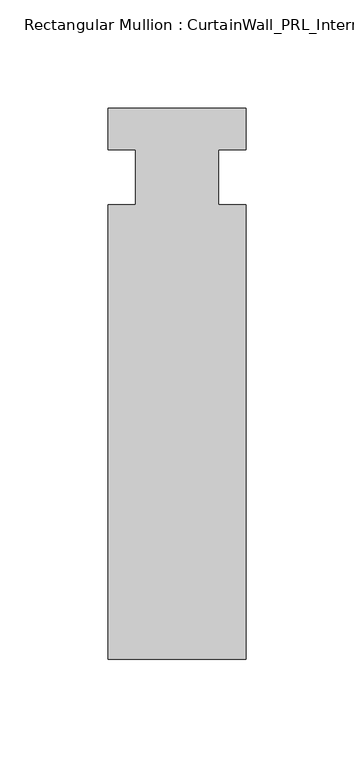
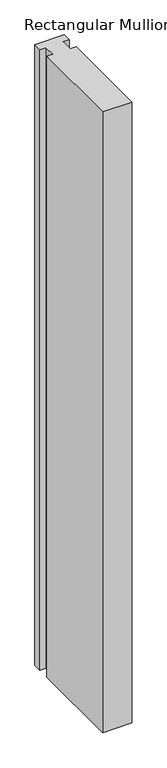
"""IFC4 building model written with IfcOpenShell, lengths in millimetres: member geometry, Rectangular Mullion : CurtainWall_PRL_Intermediate_1002."""

import ifcopenshell
import ifcopenshell.guid

model = None  # the IFC model being written
_history = None  # IfcOwnerHistory: only IFC2X3 demands one
_inside = {}  # id of a spatial element -> (the spatial element, [elements in it])
_under = {}  # id of a project, library or spatial element -> (it, [spatial elements below it])
_declared = {}  # id of a project -> (the project, [libraries it declares])
_typed = {}  # id of a type object -> (the type object, [elements of that type])
_made_of = {}  # id of a material, layer set ... -> (it, [elements and type objects made of it])


def new_model(schema):
    """Start an empty IFC model of exactly this schema.

    Asked for "IFC4X3", IfcOpenShell would pick the latest addendum, in which some entities
    have other attributes; the version numbers below select the first issue.
    IFC2X3 requires an IfcOwnerHistory on every rooted entity: one is made here for all.
    """
    global model, _history
    if schema == "IFC4X3":
        model = ifcopenshell.file(schema_version=(4, 3, 0, 0))
    else:
        model = ifcopenshell.file(schema=schema)
    _inside.clear()
    _under.clear()
    _declared.clear()
    _typed.clear()
    _made_of.clear()
    _history = None
    if model.schema == "IFC2X3":
        org = make("IfcOrganization", Name="unknown")
        user = make(
            "IfcPersonAndOrganization",
            ThePerson=make("IfcPerson", FamilyName="unknown"),
            TheOrganization=org,
        )
        app = make(
            "IfcApplication",
            ApplicationDeveloper=org,
            Version="unknown",
            ApplicationFullName="unknown",
            ApplicationIdentifier="unknown",
        )
        _history = make(
            "IfcOwnerHistory",
            OwningUser=user,
            OwningApplication=app,
            ChangeAction="ADDED",
            CreationDate=0,
        )
    return model


def make(cls, **values):
    """One entity of the class cls with the attributes given. An attribute that is None is left unset."""
    return model.create_entity(
        cls, **{name: value for name, value in values.items() if value is not None}
    )


def rooted(cls, **values):
    """An entity with a GlobalId (a new one), such as an element, a storey or a relation."""
    return make(cls, GlobalId=ifcopenshell.guid.new(), OwnerHistory=_history, **values)


def si_unit(unit_type, name, prefix=None):
    """IfcSIUnit, for example si_unit("LENGTHUNIT", "METRE", prefix="MILLI")."""
    return make("IfcSIUnit", UnitType=unit_type, Prefix=prefix, Name=name)


def assignment(units):
    """IfcUnitAssignment: the units of a project."""
    return None if units is None else make("IfcUnitAssignment", Units=units)


def point(xyz):
    """IfcCartesianPoint."""
    return None if xyz is None else make("IfcCartesianPoint", Coordinates=xyz)


def direction(xyz):
    """IfcDirection."""
    return None if xyz is None else make("IfcDirection", DirectionRatios=xyz)


def frame(location, z_axis=None, x_axis=None):
    """IfcAxis2Placement3D, a coordinate frame: its origin and axes. An axis left out is left unset."""
    return make(
        "IfcAxis2Placement3D",
        Location=point(location),
        Axis=direction(z_axis),
        RefDirection=direction(x_axis),
    )


def origin():
    """The frame at (0, 0, 0) with its axes left unset."""
    return frame((0.0, 0.0, 0.0))


def place(relative_to, where):
    """IfcLocalPlacement: puts the frame where relative to a parent placement (None: the world)."""
    return make(
        "IfcLocalPlacement", PlacementRelTo=relative_to, RelativePlacement=where
    )


def context(
    kind, dimensions, precision=None, world=None, true_north=None, identifier=None
):
    """IfcGeometricRepresentationContext, for example the 3D "Model" context."""
    return make(
        "IfcGeometricRepresentationContext",
        ContextIdentifier=identifier,
        ContextType=kind,
        CoordinateSpaceDimension=dimensions,
        Precision=precision,
        WorldCoordinateSystem=world,
        TrueNorth=true_north,
    )


def project(units=None, contexts=None):
    """IfcProject with its units and contexts."""
    return rooted(
        "IfcProject",
        Name="project",
        RepresentationContexts=contexts,
        UnitsInContext=assignment(units),
    )


def spatial(cls, under=None, at=None, **own):
    """A site, building, storey or space (cls), placed at a placement, below another one or the project."""
    s = rooted(cls, ObjectPlacement=at, **own)
    if under is not None:
        _under.setdefault(under.id(), (under, []))[1].append(s)
    return s


def polyline(points):
    """IfcPolyline through the points."""
    return make("IfcPolyline", Points=[point(p) for p in points])


def outline(outer, holes=None, kind="AREA"):
    """IfcArbitraryClosedProfileDef: a profile drawn as a closed curve; with holes, ...WithVoids."""
    if holes is None:
        return make("IfcArbitraryClosedProfileDef", ProfileType=kind, OuterCurve=outer)
    return make(
        "IfcArbitraryProfileDefWithVoids",
        ProfileType=kind,
        OuterCurve=outer,
        InnerCurves=holes,
    )


def extrude(swept, where, along, depth):
    """IfcExtrudedAreaSolid: the profile swept, set in the frame where, extruded along a direction by depth."""
    return make(
        "IfcExtrudedAreaSolid",
        SweptArea=swept,
        Position=where,
        ExtrudedDirection=direction(along),
        Depth=depth,
    )


def shape(context_of_items, identifier, shape_type, items):
    """IfcShapeRepresentation: the items that make up one representation, for example the "Body"."""
    return make(
        "IfcShapeRepresentation",
        ContextOfItems=context_of_items,
        RepresentationIdentifier=identifier,
        RepresentationType=shape_type,
        Items=items,
    )


def source(mapping_origin, context_of_items, identifier, shape_type, items):
    """IfcRepresentationMap: a shape defined once, which mapped items show again and again."""
    return make(
        "IfcRepresentationMap",
        MappingOrigin=mapping_origin,
        MappedRepresentation=shape(context_of_items, identifier, shape_type, items),
    )


def transform(
    local_origin,
    x_axis=None,
    y_axis=None,
    z_axis=None,
    scale=None,
    scale2=None,
    scale3=None,
    uniform=True,
):
    """IfcCartesianTransformationOperator3D, or its non-uniform kind. x_axis, y_axis, z_axis: its Axis1, 2, 3."""
    if uniform:
        return make(
            "IfcCartesianTransformationOperator3D",
            Axis1=direction(x_axis),
            Axis2=direction(y_axis),
            LocalOrigin=point(local_origin),
            Scale=scale,
            Axis3=direction(z_axis),
        )
    return make(
        "IfcCartesianTransformationOperator3DnonUniform",
        Axis1=direction(x_axis),
        Axis2=direction(y_axis),
        LocalOrigin=point(local_origin),
        Scale=scale,
        Axis3=direction(z_axis),
        Scale2=scale2,
        Scale3=scale3,
    )


def mapped(mapping_source, mapping_target):
    """IfcMappedItem: shows the shape of a source again, moved by a transform."""
    return make(
        "IfcMappedItem", MappingSource=mapping_source, MappingTarget=mapping_target
    )


def made_of(thing, what):
    """Note that an element or type object is made of a material, layer set ...; save() writes the relation."""
    if what is not None:
        _made_of.setdefault(what.id(), (what, []))[1].append(thing)
    return thing


def element(
    cls,
    number,
    at=None,
    inside=None,
    cuts=None,
    type_object=None,
    material=None,
    context=None,
    identifier="Body",
    shape_type=None,
    held_by="IfcProductDefinitionShape",
    body=None,
    shapes=None,
    **own,
):
    """One element of the class cls, such as IfcWall. Its Tag is "e" and its number.

    at: its placement. inside: the storey or other place that contains it. cuts: it is an
    opening in that element (IfcRelVoidsElement). A single representation is given by context,
    identifier, shape_type and body (its items); several are given by shapes. held_by: the class
    of the entity that holds the representations. save() writes the other relations.
    """
    e = rooted(cls, Tag="e%d" % number, ObjectPlacement=at, **own)
    if body is not None:
        shapes = [shape(context, identifier, shape_type, body)]
    if shapes is not None:
        e.Representation = make(held_by, Representations=shapes)
    if inside is not None:
        _inside.setdefault(inside.id(), (inside, []))[1].append(e)
    if cuts is not None:
        rooted(
            "IfcRelVoidsElement", RelatingBuildingElement=cuts, RelatedOpeningElement=e
        )
    if type_object is not None:
        _typed.setdefault(type_object.id(), (type_object, []))[1].append(e)
    return made_of(e, material)


def aggregate(whole, parts):
    """IfcRelAggregates: a whole, such as a stair, and the parts it consists of."""
    return rooted("IfcRelAggregates", RelatingObject=whole, RelatedObjects=parts)


def save(model, path):
    """Write the relations noted so far, then the file.

    IfcRelAggregates (storeys below a building ...), IfcRelContainedInSpatialStructure (elements
    in a storey), IfcRelDefinesByType, IfcRelAssociatesMaterial and IfcRelDeclares: one each for
    every whole, place, type object, material and project.
    """
    for whole, parts in _under.values():
        aggregate(whole, parts)
    for where, things in _inside.values():
        rooted(
            "IfcRelContainedInSpatialStructure",
            RelatedElements=things,
            RelatingStructure=where,
        )
    for kind, things in _typed.values():
        rooted("IfcRelDefinesByType", RelatedObjects=things, RelatingType=kind)
    for what, things in _made_of.values():
        rooted("IfcRelAssociatesMaterial", RelatedObjects=things, RelatingMaterial=what)
    for by, libraries in _declared.values():
        rooted("IfcRelDeclares", RelatingContext=by, RelatedDefinitions=libraries)
    model.write(path)


def rectangular_mullion_curtainwall_prl_intermediate_1002_3a514ff2(model_context):
    return source(origin(), model_context, "Body", "SweptSolid", [
        extrude(outline(polyline([(-19.05, -12.7), (-19.05, 12.7), (-31.75, 12.7), (-31.75, 31.75), (31.75, 31.75), (31.75, 12.7), (19.05, 12.7), (19.05, -12.7), (31.75, -12.7), (31.75, -222.25), (-31.75, -222.25), (-31.75, -12.7), (-19.05, -12.7)])), frame((0.0, 0.0, -1422.4), z_axis=(0.0, 0.0, 1.0), x_axis=(1.0, 0.0, 0.0)), (0.0, 0.0, 1.0), 1422.4),
    ])


if __name__ == "__main__":
    model = new_model("IFC4")
    model_context = context("Model", 3, world=origin())
    ifc_project = project(units=[si_unit("LENGTHUNIT", "METRE", prefix="MILLI")], contexts=[model_context])
    site = spatial("IfcSite", under=ifc_project)
    building = spatial("IfcBuilding", under=site)
    placement = place(None, origin())
    rectangular_mullion_curtainwall_prl_intermediate_1002_shape = rectangular_mullion_curtainwall_prl_intermediate_1002_3a514ff2(model_context)
    element("IfcMember", 1, ObjectType="Rectangular Mullion : CurtainWall_PRL_Intermediate_1002", at=placement, inside=building, context=model_context, shape_type="MappedRepresentation", body=[
        mapped(rectangular_mullion_curtainwall_prl_intermediate_1002_shape, transform((0.0, 0.0, 0.0), x_axis=(1.0, 0.0, 0.0), y_axis=(0.0, 1.0, 0.0), z_axis=(0.0, 0.0, 1.0))),
    ])
    save(model, "model.ifc")
